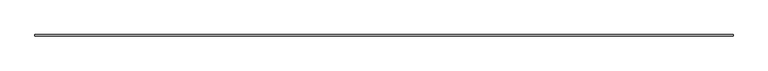
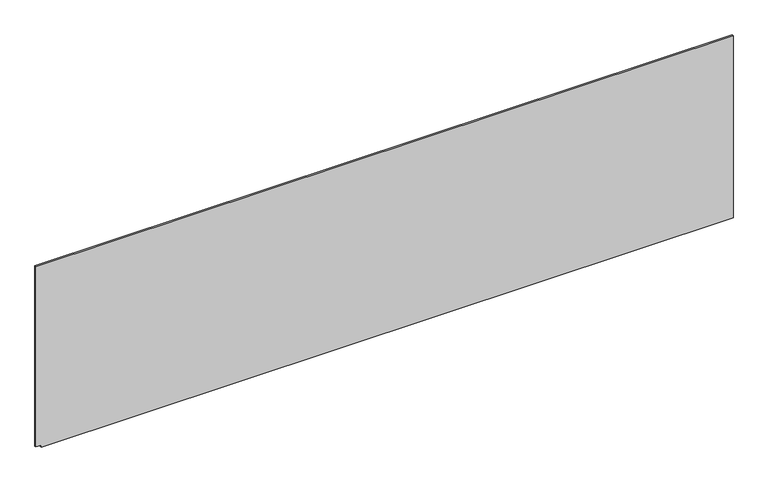
"""IFC4 building model written with IfcOpenShell, lengths in millimetres: plate geometry."""

import ifcopenshell
import ifcopenshell.guid

model = None  # the IFC model being written
_history = None  # IfcOwnerHistory: only IFC2X3 demands one
_inside = {}  # id of a spatial element -> (the spatial element, [elements in it])
_under = {}  # id of a project, library or spatial element -> (it, [spatial elements below it])
_declared = {}  # id of a project -> (the project, [libraries it declares])
_typed = {}  # id of a type object -> (the type object, [elements of that type])
_made_of = {}  # id of a material, layer set ... -> (it, [elements and type objects made of it])


def new_model(schema):
    """Start an empty IFC model of exactly this schema.

    Asked for "IFC4X3", IfcOpenShell would pick the latest addendum, in which some entities
    have other attributes; the version numbers below select the first issue.
    IFC2X3 requires an IfcOwnerHistory on every rooted entity: one is made here for all.
    """
    global model, _history
    if schema == "IFC4X3":
        model = ifcopenshell.file(schema_version=(4, 3, 0, 0))
    else:
        model = ifcopenshell.file(schema=schema)
    _inside.clear()
    _under.clear()
    _declared.clear()
    _typed.clear()
    _made_of.clear()
    _history = None
    if model.schema == "IFC2X3":
        org = make("IfcOrganization", Name="unknown")
        user = make(
            "IfcPersonAndOrganization",
            ThePerson=make("IfcPerson", FamilyName="unknown"),
            TheOrganization=org,
        )
        app = make(
            "IfcApplication",
            ApplicationDeveloper=org,
            Version="unknown",
            ApplicationFullName="unknown",
            ApplicationIdentifier="unknown",
        )
        _history = make(
            "IfcOwnerHistory",
            OwningUser=user,
            OwningApplication=app,
            ChangeAction="ADDED",
            CreationDate=0,
        )
    return model


def make(cls, **values):
    """One entity of the class cls with the attributes given. An attribute that is None is left unset."""
    return model.create_entity(
        cls, **{name: value for name, value in values.items() if value is not None}
    )


def rooted(cls, **values):
    """An entity with a GlobalId (a new one), such as an element, a storey or a relation."""
    return make(cls, GlobalId=ifcopenshell.guid.new(), OwnerHistory=_history, **values)


def si_unit(unit_type, name, prefix=None):
    """IfcSIUnit, for example si_unit("LENGTHUNIT", "METRE", prefix="MILLI")."""
    return make("IfcSIUnit", UnitType=unit_type, Prefix=prefix, Name=name)


def assignment(units):
    """IfcUnitAssignment: the units of a project."""
    return None if units is None else make("IfcUnitAssignment", Units=units)


def point(xyz):
    """IfcCartesianPoint."""
    return None if xyz is None else make("IfcCartesianPoint", Coordinates=xyz)


def direction(xyz):
    """IfcDirection."""
    return None if xyz is None else make("IfcDirection", DirectionRatios=xyz)


def frame(location, z_axis=None, x_axis=None):
    """IfcAxis2Placement3D, a coordinate frame: its origin and axes. An axis left out is left unset."""
    return make(
        "IfcAxis2Placement3D",
        Location=point(location),
        Axis=direction(z_axis),
        RefDirection=direction(x_axis),
    )


def origin():
    """The frame at (0, 0, 0) with its axes left unset."""
    return frame((0.0, 0.0, 0.0))


def place(relative_to, where):
    """IfcLocalPlacement: puts the frame where relative to a parent placement (None: the world)."""
    return make(
        "IfcLocalPlacement", PlacementRelTo=relative_to, RelativePlacement=where
    )


def context(
    kind, dimensions, precision=None, world=None, true_north=None, identifier=None
):
    """IfcGeometricRepresentationContext, for example the 3D "Model" context."""
    return make(
        "IfcGeometricRepresentationContext",
        ContextIdentifier=identifier,
        ContextType=kind,
        CoordinateSpaceDimension=dimensions,
        Precision=precision,
        WorldCoordinateSystem=world,
        TrueNorth=true_north,
    )


def project(units=None, contexts=None):
    """IfcProject with its units and contexts."""
    return rooted(
        "IfcProject",
        Name="project",
        RepresentationContexts=contexts,
        UnitsInContext=assignment(units),
    )


def spatial(cls, under=None, at=None, **own):
    """A site, building, storey or space (cls), placed at a placement, below another one or the project."""
    s = rooted(cls, ObjectPlacement=at, **own)
    if under is not None:
        _under.setdefault(under.id(), (under, []))[1].append(s)
    return s


def polyline(points):
    """IfcPolyline through the points."""
    return make("IfcPolyline", Points=[point(p) for p in points])


def outline(outer, holes=None, kind="AREA"):
    """IfcArbitraryClosedProfileDef: a profile drawn as a closed curve; with holes, ...WithVoids."""
    if holes is None:
        return make("IfcArbitraryClosedProfileDef", ProfileType=kind, OuterCurve=outer)
    return make(
        "IfcArbitraryProfileDefWithVoids",
        ProfileType=kind,
        OuterCurve=outer,
        InnerCurves=holes,
    )


def extrude(swept, where, along, depth):
    """IfcExtrudedAreaSolid: the profile swept, set in the frame where, extruded along a direction by depth."""
    return make(
        "IfcExtrudedAreaSolid",
        SweptArea=swept,
        Position=where,
        ExtrudedDirection=direction(along),
        Depth=depth,
    )


def shape(context_of_items, identifier, shape_type, items):
    """IfcShapeRepresentation: the items that make up one representation, for example the "Body"."""
    return make(
        "IfcShapeRepresentation",
        ContextOfItems=context_of_items,
        RepresentationIdentifier=identifier,
        RepresentationType=shape_type,
        Items=items,
    )


def source(mapping_origin, context_of_items, identifier, shape_type, items):
    """IfcRepresentationMap: a shape defined once, which mapped items show again and again."""
    return make(
        "IfcRepresentationMap",
        MappingOrigin=mapping_origin,
        MappedRepresentation=shape(context_of_items, identifier, shape_type, items),
    )


def transform(
    local_origin,
    x_axis=None,
    y_axis=None,
    z_axis=None,
    scale=None,
    scale2=None,
    scale3=None,
    uniform=True,
):
    """IfcCartesianTransformationOperator3D, or its non-uniform kind. x_axis, y_axis, z_axis: its Axis1, 2, 3."""
    if uniform:
        return make(
            "IfcCartesianTransformationOperator3D",
            Axis1=direction(x_axis),
            Axis2=direction(y_axis),
            LocalOrigin=point(local_origin),
            Scale=scale,
            Axis3=direction(z_axis),
        )
    return make(
        "IfcCartesianTransformationOperator3DnonUniform",
        Axis1=direction(x_axis),
        Axis2=direction(y_axis),
        LocalOrigin=point(local_origin),
        Scale=scale,
        Axis3=direction(z_axis),
        Scale2=scale2,
        Scale3=scale3,
    )


def mapped(mapping_source, mapping_target):
    """IfcMappedItem: shows the shape of a source again, moved by a transform."""
    return make(
        "IfcMappedItem", MappingSource=mapping_source, MappingTarget=mapping_target
    )


def made_of(thing, what):
    """Note that an element or type object is made of a material, layer set ...; save() writes the relation."""
    if what is not None:
        _made_of.setdefault(what.id(), (what, []))[1].append(thing)
    return thing


def element(
    cls,
    number,
    at=None,
    inside=None,
    cuts=None,
    type_object=None,
    material=None,
    context=None,
    identifier="Body",
    shape_type=None,
    held_by="IfcProductDefinitionShape",
    body=None,
    shapes=None,
    **own,
):
    """One element of the class cls, such as IfcWall. Its Tag is "e" and its number.

    at: its placement. inside: the storey or other place that contains it. cuts: it is an
    opening in that element (IfcRelVoidsElement). A single representation is given by context,
    identifier, shape_type and body (its items); several are given by shapes. held_by: the class
    of the entity that holds the representations. save() writes the other relations.
    """
    e = rooted(cls, Tag="e%d" % number, ObjectPlacement=at, **own)
    if body is not None:
        shapes = [shape(context, identifier, shape_type, body)]
    if shapes is not None:
        e.Representation = make(held_by, Representations=shapes)
    if inside is not None:
        _inside.setdefault(inside.id(), (inside, []))[1].append(e)
    if cuts is not None:
        rooted(
            "IfcRelVoidsElement", RelatingBuildingElement=cuts, RelatedOpeningElement=e
        )
    if type_object is not None:
        _typed.setdefault(type_object.id(), (type_object, []))[1].append(e)
    return made_of(e, material)


def aggregate(whole, parts):
    """IfcRelAggregates: a whole, such as a stair, and the parts it consists of."""
    return rooted("IfcRelAggregates", RelatingObject=whole, RelatedObjects=parts)


def save(model, path):
    """Write the relations noted so far, then the file.

    IfcRelAggregates (storeys below a building ...), IfcRelContainedInSpatialStructure (elements
    in a storey), IfcRelDefinesByType, IfcRelAssociatesMaterial and IfcRelDeclares: one each for
    every whole, place, type object, material and project.
    """
    for whole, parts in _under.values():
        aggregate(whole, parts)
    for where, things in _inside.values():
        rooted(
            "IfcRelContainedInSpatialStructure",
            RelatedElements=things,
            RelatingStructure=where,
        )
    for kind, things in _typed.values():
        rooted("IfcRelDefinesByType", RelatedObjects=things, RelatingType=kind)
    for what, things in _made_of.values():
        rooted("IfcRelAssociatesMaterial", RelatedObjects=things, RelatingMaterial=what)
    for by, libraries in _declared.values():
        rooted("IfcRelDeclares", RelatingContext=by, RelatedDefinitions=libraries)
    model.write(path)


def plate_6c1be958(model_context):
    return source(origin(), model_context, "Body", "SweptSolid", [
        extrude(outline(polyline([(0.0, -2171.6666667), (0.0, 2206.6666667), (12.8627491, 2206.6666667), (1218.8522693, 2206.6666667), (1218.8522693, -2206.6666667), (12.8628327, -2206.6666667), (12.8628327, -2171.6666667), (0.0, -2171.6666667)])), frame((0.0, -5.0, 0.0), z_axis=(0.0, 1.0, 0.0), x_axis=(0.0, 0.0, 1.0)), (0.0, 0.0, 1.0), 10.0),
    ])


if __name__ == "__main__":
    model = new_model("IFC4")
    model_context = context("Model", 3, world=origin())
    ifc_project = project(units=[si_unit("LENGTHUNIT", "METRE", prefix="MILLI")], contexts=[model_context])
    site = spatial("IfcSite", under=ifc_project)
    building = spatial("IfcBuilding", under=site)
    placement = place(None, origin())
    plate_shape = plate_6c1be958(model_context)
    element("IfcPlate", 1, at=placement, inside=building, context=model_context, shape_type="MappedRepresentation", body=[
        mapped(plate_shape, transform((0.0, 0.0, 0.0), x_axis=(1.0, 0.0, 0.0), y_axis=(0.0, 1.0, 0.0), z_axis=(0.0, 0.0, 1.0))),
    ])
    save(model, "model.ifc")
